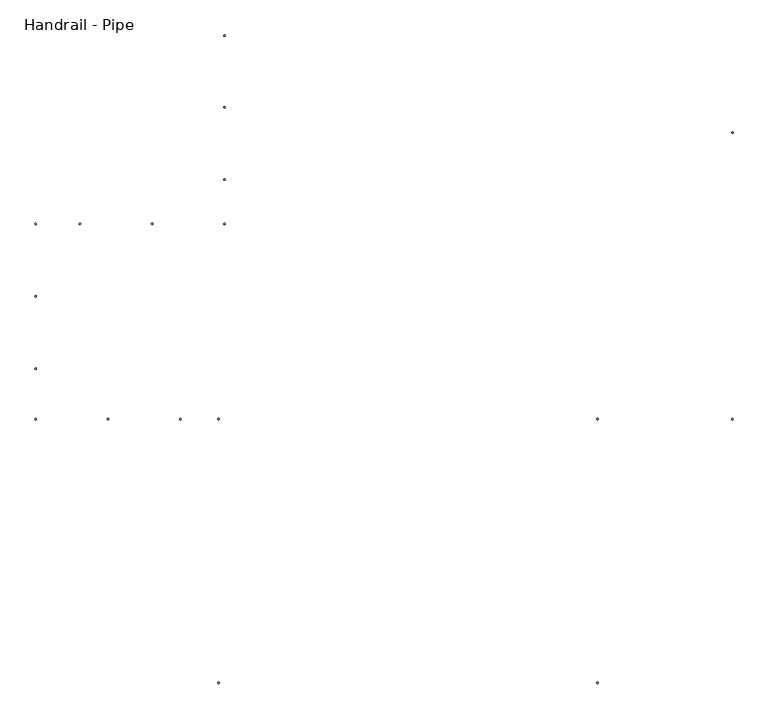
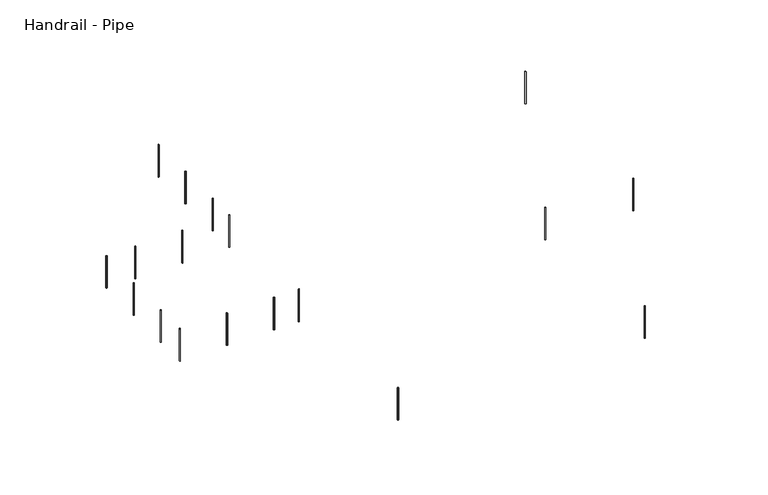
"""IFC4 building model written with IfcOpenShell, lengths in millimetres: railing geometry, Handrail - Pipe."""

from ifc_helpers import new_model, si_unit, point, frame, frame_2d, origin, place, context, project, spatial, circle_curve, trimmed, segment, composite_curve, outline, extrude, source, transform, mapped, element, save


def handrail_pipe_da532641(model_context):
    return source(origin(), model_context, "Body", "SweptSolid", [
        extrude(outline(composite_curve([segment(trimmed(circle_curve(frame_2d((-498.2680378, -5283.261673)), 12.7), [point((-498.2680378, -5270.561673))], [point((-498.2680378, -5295.961673))], False, "CARTESIAN"), True, "CONTINUOUS"), segment(trimmed(circle_curve(frame_2d((-498.2680378, -5283.261673)), 12.7), [point((-498.2680378, -5295.961673))], [point((-498.2680378, -5270.561673))], False, "CARTESIAN"), True, "CONTINUOUS")], self_intersect=False)), frame((0.0, 0.0, 2616.2), z_axis=(0.0, 0.0, 1.0), x_axis=(1.0, 0.0, 0.0)), (0.0, 0.0, 1.0), 876.3),
        extrude(outline(composite_curve([segment(trimmed(circle_curve(frame_2d((-1717.4680378, -5283.261673)), 12.7), [point((-1717.4680378, -5270.561673))], [point((-1717.4680378, -5295.961673))], False, "CARTESIAN"), True, "CONTINUOUS"), segment(trimmed(circle_curve(frame_2d((-1717.4680378, -5283.261673)), 12.7), [point((-1717.4680378, -5295.961673))], [point((-1717.4680378, -5270.561673))], False, "CARTESIAN"), True, "CONTINUOUS")], self_intersect=False)), frame((0.0, 0.0, 2616.2), z_axis=(0.0, 0.0, 1.0), x_axis=(1.0, 0.0, 0.0)), (0.0, 0.0, 1.0), 876.3),
        extrude(outline(composite_curve([segment(trimmed(circle_curve(frame_2d((-2936.6680378, -4432.274173)), 12.7), [point((-2923.9680378, -4432.274173))], [point((-2949.3680378, -4432.274173))], False, "CARTESIAN"), True, "CONTINUOUS"), segment(trimmed(circle_curve(frame_2d((-2936.6680378, -4432.274173)), 12.7), [point((-2949.3680378, -4432.274173))], [point((-2923.9680378, -4432.274173))], False, "CARTESIAN"), True, "CONTINUOUS")], self_intersect=False)), frame((0.0, 0.0, 2616.2), z_axis=(0.0, 0.0, 1.0), x_axis=(1.0, 0.0, 0.0)), (0.0, 0.0, 1.0), 876.3),
        extrude(outline(composite_curve([segment(trimmed(circle_curve(frame_2d((-2936.6680378, -3213.074173)), 12.7), [point((-2923.9680378, -3213.074173))], [point((-2949.3680378, -3213.074173))], False, "CARTESIAN"), True, "CONTINUOUS"), segment(trimmed(circle_curve(frame_2d((-2936.6680378, -3213.074173)), 12.7), [point((-2949.3680378, -3213.074173))], [point((-2923.9680378, -3213.074173))], False, "CARTESIAN"), True, "CONTINUOUS")], self_intersect=False)), frame((0.0, 0.0, 2616.2), z_axis=(0.0, 0.0, 1.0), x_axis=(1.0, 0.0, 0.0)), (0.0, 0.0, 1.0), 876.3),
        extrude(outline(composite_curve([segment(trimmed(circle_curve(frame_2d((-2192.6680378, -1993.874173)), 12.7), [point((-2192.6680378, -2006.574173))], [point((-2192.6680378, -1981.174173))], False, "CARTESIAN"), True, "CONTINUOUS"), segment(trimmed(circle_curve(frame_2d((-2192.6680378, -1993.874173)), 12.7), [point((-2192.6680378, -1981.174173))], [point((-2192.6680378, -2006.574173))], False, "CARTESIAN"), True, "CONTINUOUS")], self_intersect=False)), frame((0.0, 0.0, 2616.2), z_axis=(0.0, 0.0, 1.0), x_axis=(1.0, 0.0, 0.0)), (0.0, 0.0, 1.0), 876.3),
        extrude(outline(composite_curve([segment(trimmed(circle_curve(frame_2d((-973.4680378, -1993.874173)), 12.7), [point((-973.4680378, -2006.574173))], [point((-973.4680378, -1981.174173))], False, "CARTESIAN"), True, "CONTINUOUS"), segment(trimmed(circle_curve(frame_2d((-973.4680378, -1993.874173)), 12.7), [point((-973.4680378, -1981.174173))], [point((-973.4680378, -2006.574173))], False, "CARTESIAN"), True, "CONTINUOUS")], self_intersect=False)), frame((0.0, 0.0, 2616.2), z_axis=(0.0, 0.0, 1.0), x_axis=(1.0, 0.0, 0.0)), (0.0, 0.0, 1.0), 876.3),
        extrude(outline(composite_curve([segment(trimmed(circle_curve(frame_2d((245.7319622, -1243.861673)), 12.7), [point((258.4319622, -1243.861673))], [point((233.0319622, -1243.861673))], False, "CARTESIAN"), True, "CONTINUOUS"), segment(trimmed(circle_curve(frame_2d((245.7319622, -1243.861673)), 12.7), [point((233.0319622, -1243.861673))], [point((258.4319622, -1243.861673))], False, "CARTESIAN"), True, "CONTINUOUS")], self_intersect=False)), frame((0.0, 0.0, 2616.2), z_axis=(0.0, 0.0, 1.0), x_axis=(1.0, 0.0, 0.0)), (0.0, 0.0, 1.0), 876.3),
        extrude(outline(composite_curve([segment(trimmed(circle_curve(frame_2d((245.7319622, -24.661673)), 12.7), [point((258.4319622, -24.661673))], [point((233.0319622, -24.661673))], False, "CARTESIAN"), True, "CONTINUOUS"), segment(trimmed(circle_curve(frame_2d((245.7319622, -24.661673)), 12.7), [point((233.0319622, -24.661673))], [point((258.4319622, -24.661673))], False, "CARTESIAN"), True, "CONTINUOUS")], self_intersect=False)), frame((0.0, 0.0, 2616.2), z_axis=(0.0, 0.0, 1.0), x_axis=(1.0, 0.0, 0.0)), (0.0, 0.0, 1.0), 876.3),
        extrude(outline(composite_curve([segment(trimmed(circle_curve(frame_2d((8799.7319622, -5283.261673)), 12.7), [point((8799.7319622, -5270.561673))], [point((8799.7319622, -5295.961673))], False, "CARTESIAN"), True, "CONTINUOUS"), segment(trimmed(circle_curve(frame_2d((8799.7319622, -5283.261673)), 12.7), [point((8799.7319622, -5295.961673))], [point((8799.7319622, -5270.561673))], False, "CARTESIAN"), True, "CONTINUOUS")], self_intersect=False)), frame((0.0, 0.0, 2616.2), z_axis=(0.0, 0.0, 1.0), x_axis=(1.0, 0.0, 0.0)), (0.0, 0.0, 1.0), 876.3),
        extrude(outline(composite_curve([segment(trimmed(circle_curve(frame_2d((6528.0194622, -5283.261673)), 12.7), [point((6515.3194622, -5283.261673))], [point((6540.7194622, -5283.261673))], False, "CARTESIAN"), True, "CONTINUOUS"), segment(trimmed(circle_curve(frame_2d((6528.0194622, -5283.261673)), 12.7), [point((6540.7194622, -5283.261673))], [point((6515.3194622, -5283.261673))], False, "CARTESIAN"), True, "CONTINUOUS")], self_intersect=False)), frame((0.0, 0.0, 2616.2), z_axis=(0.0, 0.0, 1.0), x_axis=(1.0, 0.0, 0.0)), (0.0, 0.0, 1.0), 876.3),
        extrude(outline(composite_curve([segment(trimmed(circle_curve(frame_2d((6528.0194622, -9729.261673)), 12.7), [point((6528.0194622, -9716.561673))], [point((6528.0194622, -9741.961673))], False, "CARTESIAN"), True, "CONTINUOUS"), segment(trimmed(circle_curve(frame_2d((6528.0194622, -9729.261673)), 12.7), [point((6528.0194622, -9741.961673))], [point((6528.0194622, -9716.561673))], False, "CARTESIAN"), True, "CONTINUOUS")], self_intersect=False)), frame((0.0, 0.0, 2616.2), z_axis=(0.0, 0.0, 1.0), x_axis=(1.0, 0.0, 0.0)), (0.0, 0.0, 1.0), 876.3),
        extrude(outline(composite_curve([segment(trimmed(circle_curve(frame_2d((144.1319622, -9729.261673)), 12.7), [point((156.8319622, -9729.261673))], [point((131.4319622, -9729.261673))], False, "CARTESIAN"), True, "CONTINUOUS"), segment(trimmed(circle_curve(frame_2d((144.1319622, -9729.261673)), 12.7), [point((131.4319622, -9729.261673))], [point((156.8319622, -9729.261673))], False, "CARTESIAN"), True, "CONTINUOUS")], self_intersect=False)), frame((0.0, 0.0, 2616.2), z_axis=(0.0, 0.0, 1.0), x_axis=(1.0, 0.0, 0.0)), (0.0, 0.0, 1.0), 876.3),
        extrude(outline(composite_curve([segment(trimmed(circle_curve(frame_2d((144.1319622, -5283.261673)), 12.7), [point((144.1319622, -5270.561673))], [point((144.1319622, -5295.961673))], False, "CARTESIAN"), True, "CONTINUOUS"), segment(trimmed(circle_curve(frame_2d((144.1319622, -5283.261673)), 12.7), [point((144.1319622, -5295.961673))], [point((144.1319622, -5270.561673))], False, "CARTESIAN"), True, "CONTINUOUS")], self_intersect=False)), frame((0.0, 0.0, 2616.2), z_axis=(0.0, 0.0, 1.0), x_axis=(1.0, 0.0, 0.0)), (0.0, 0.0, 1.0), 876.3),
        extrude(outline(composite_curve([segment(trimmed(circle_curve(frame_2d((-2936.6680378, -5283.261673)), 12.7), [point((-2923.9680378, -5283.261673))], [point((-2949.3680378, -5283.261673))], False, "CARTESIAN"), True, "CONTINUOUS"), segment(trimmed(circle_curve(frame_2d((-2936.6680378, -5283.261673)), 12.7), [point((-2949.3680378, -5283.261673))], [point((-2923.9680378, -5283.261673))], False, "CARTESIAN"), True, "CONTINUOUS")], self_intersect=False)), frame((0.0, 0.0, 2616.2), z_axis=(0.0, 0.0, 1.0), x_axis=(1.0, 0.0, 0.0)), (0.0, 0.0, 1.0), 876.3),
        extrude(outline(composite_curve([segment(trimmed(circle_curve(frame_2d((-2936.6680378, -1993.874173)), 12.7), [point((-2936.6680378, -2006.574173))], [point((-2936.6680378, -1981.174173))], False, "CARTESIAN"), True, "CONTINUOUS"), segment(trimmed(circle_curve(frame_2d((-2936.6680378, -1993.874173)), 12.7), [point((-2936.6680378, -1981.174173))], [point((-2936.6680378, -2006.574173))], False, "CARTESIAN"), True, "CONTINUOUS")], self_intersect=False)), frame((0.0, 0.0, 2616.2), z_axis=(0.0, 0.0, 1.0), x_axis=(1.0, 0.0, 0.0)), (0.0, 0.0, 1.0), 876.3),
        extrude(outline(composite_curve([segment(trimmed(circle_curve(frame_2d((245.7319622, -1993.874173)), 12.7), [point((258.4319622, -1993.874173))], [point((233.0319622, -1993.874173))], False, "CARTESIAN"), True, "CONTINUOUS"), segment(trimmed(circle_curve(frame_2d((245.7319622, -1993.874173)), 12.7), [point((233.0319622, -1993.874173))], [point((258.4319622, -1993.874173))], False, "CARTESIAN"), True, "CONTINUOUS")], self_intersect=False)), frame((0.0, 0.0, 2616.2), z_axis=(0.0, 0.0, 1.0), x_axis=(1.0, 0.0, 0.0)), (0.0, 0.0, 1.0), 876.3),
        extrude(outline(composite_curve([segment(trimmed(circle_curve(frame_2d((8799.7319622, -453.161673)), 12.7), [point((8787.0319622, -453.161673))], [point((8812.4319622, -453.161673))], False, "CARTESIAN"), True, "CONTINUOUS"), segment(trimmed(circle_curve(frame_2d((8799.7319622, -453.161673)), 12.7), [point((8812.4319622, -453.161673))], [point((8787.0319622, -453.161673))], False, "CARTESIAN"), True, "CONTINUOUS")], self_intersect=False)), frame((0.0, 0.0, 2616.2), z_axis=(0.0, 0.0, 1.0), x_axis=(1.0, 0.0, 0.0)), (0.0, 0.0, 1.0), 876.3),
        extrude(outline(composite_curve([segment(trimmed(circle_curve(frame_2d((245.7319622, 1181.838327)), 12.7), [point((258.4319622, 1181.838327))], [point((233.0319622, 1181.838327))], False, "CARTESIAN"), True, "CONTINUOUS"), segment(trimmed(circle_curve(frame_2d((245.7319622, 1181.838327)), 12.7), [point((233.0319622, 1181.838327))], [point((258.4319622, 1181.838327))], False, "CARTESIAN"), True, "CONTINUOUS")], self_intersect=False)), frame((0.0, 0.0, 2616.2), z_axis=(0.0, 0.0, 1.0), x_axis=(1.0, 0.0, 0.0)), (0.0, 0.0, 1.0), 876.3),
    ])


if __name__ == "__main__":
    model = new_model("IFC4")
    model_context = context("Model", 3, world=origin())
    ifc_project = project(units=[si_unit("LENGTHUNIT", "METRE", prefix="MILLI")], contexts=[model_context])
    site = spatial("IfcSite", under=ifc_project)
    building = spatial("IfcBuilding", under=site)
    placement = place(None, origin())
    handrail_pipe_shape = handrail_pipe_da532641(model_context)
    element("IfcRailing", 1, ObjectType="Handrail - Pipe", at=placement, inside=building, context=model_context, shape_type="MappedRepresentation", body=[
        mapped(handrail_pipe_shape, transform((0.0, 0.0, 0.0), x_axis=(1.0, 0.0, 0.0), y_axis=(0.0, 1.0, 0.0), z_axis=(0.0, 0.0, 1.0))),
    ])
    save(model, "model.ifc")
